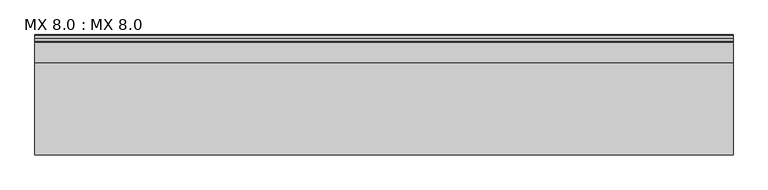
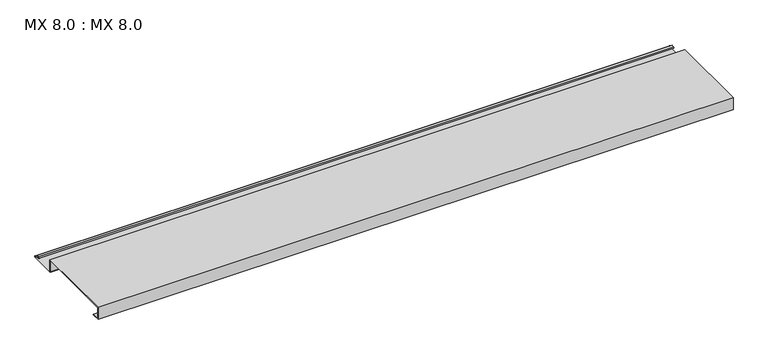
"""IFC4 building model written with IfcOpenShell, lengths in millimetres: proxy geometry, MX 8.0 : MX 8.0."""

from ifc_helpers import new_model, si_unit, point, frame, frame_2d, origin, place, context, project, spatial, polyline, circle_curve, trimmed, segment, composite_curve, outline, extrude, source, transform, mapped, element, save


def mx_8_0_mx_8_0_5852e385(model_context):
    return source(origin(), model_context, "Body", "SweptSolid", [
        extrude(outline(composite_curve([segment(polyline([(0.0, 0.0), (0.0, 38.0), (250.0, 38.0), (250.0, 0.0), (325.0510156, 0.0)]), True, "CONTINUOUS"), segment(trimmed(circle_curve(frame_2d((324.3094696, 1.9153551)), 2.0538928), [point((325.0510156, 0.0))], [point((325.1748462, 3.778041))], True, "CARTESIAN"), True, "CONTINUOUS"), segment(polyline([(325.1748462, 3.778041), (308.7874714, 6.923107)]), True, "CONTINUOUS"), segment(trimmed(circle_curve(frame_2d((309.4078886, 8.6005442)), 1.7884947), [point((308.7874714, 6.923107))], [point((308.9525789, 10.3301125))], False, "CARTESIAN"), True, "CONTINUOUS"), segment(polyline([(308.9525789, 10.3301125), (316.459338, 11.6715995), (316.635255, 10.6871945), (309.1762081, 9.3542338)]), True, "CONTINUOUS"), segment(trimmed(circle_curve(frame_2d((309.4078886, 8.6005442)), 0.7884947), [point((309.1762081, 9.3542338))], [point((309.0735117, 7.8864603))], True, "CARTESIAN"), True, "CONTINUOUS"), segment(polyline([(309.0735117, 7.8864603), (325.4722719, 4.7392091)]), True, "CONTINUOUS"), segment(trimmed(circle_curve(frame_2d((324.3094696, 1.9153551)), 3.0538928), [point((325.4722719, 4.7392091))], [point((325.2188462, -1.0))], False, "CARTESIAN"), True, "CONTINUOUS"), segment(polyline([(325.2188462, -1.0), (249.0, -1.0), (249.0, 37.0), (1.0, 37.0), (1.0, 1.0), (25.0, 1.0), (25.0, 0.0), (0.0, 0.0)]), True, "CONTINUOUS")], self_intersect=False)), frame((0.0, 0.0, 0.0), z_axis=(1.0, 0.0, 0.0), x_axis=(0.0, 1.0, 0.0)), (0.0, 0.0, 1.0), 1900.0),
    ])


if __name__ == "__main__":
    model = new_model("IFC4")
    model_context = context("Model", 3, world=origin())
    ifc_project = project(units=[si_unit("LENGTHUNIT", "METRE", prefix="MILLI")], contexts=[model_context])
    site = spatial("IfcSite", under=ifc_project)
    building = spatial("IfcBuilding", under=site)
    placement = place(None, origin())
    mx_8_0_mx_8_0_shape = mx_8_0_mx_8_0_5852e385(model_context)
    element("IfcBuildingElementProxy", 1, Name="MX 8.0 : MX 8.0", ObjectType="MX 8.0 : MX 8.0", at=placement, inside=building, context=model_context, shape_type="MappedRepresentation", body=[
        mapped(mx_8_0_mx_8_0_shape, transform((0.0, 0.0, 0.0), x_axis=(1.0, 0.0, 0.0), y_axis=(0.0, 1.0, 0.0), z_axis=(0.0, 0.0, 1.0))),
    ])
    save(model, "model.ifc")
